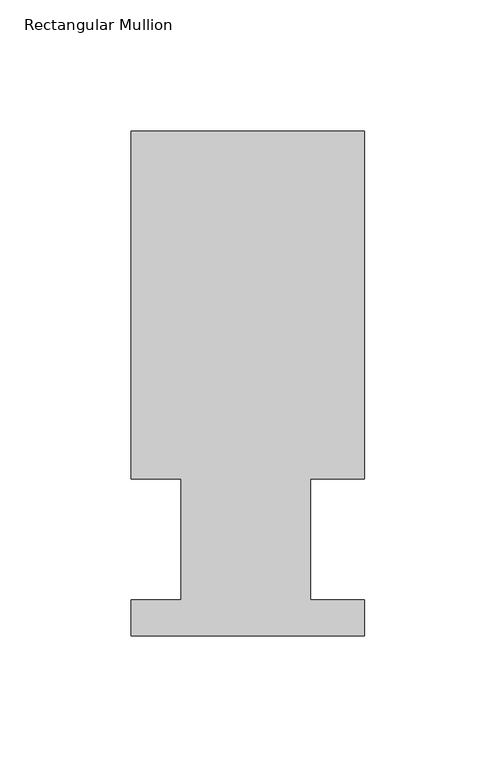
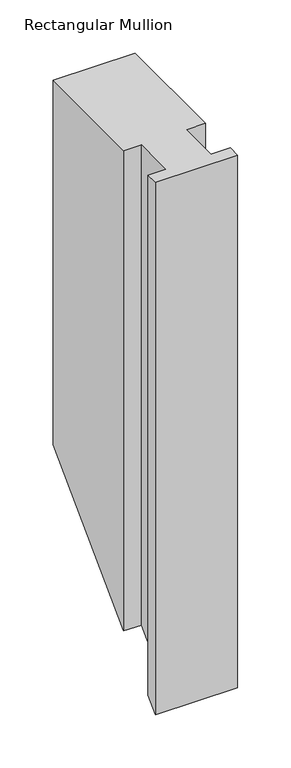
"""IFC4 building model written with IfcOpenShell, lengths in millimetres: member geometry, Rectangular Mullion."""

from ifc_helpers import new_model, si_unit, origin, place, context, project, spatial, faceted_brep, source, transform, mapped, element, save


def rectangular_mullion_68b4e7c4(model_context):
    return source(origin(), model_context, "Body", "Brep", [
        faceted_brep([(-88.9, 192.09385, 0.0), (-88.9, 59.53125, 0.0), (-69.85, 59.53125, 0.0), (-69.85, 13.50645, 0.0), (-88.9, 13.50645, 0.0), (-88.9, -0.26035, 0.0), (0.0, -0.26035, 0.0), (0.0, 13.50645, 0.0), (-20.6248, 13.50645, 0.0), (-20.6248, 59.53125, 0.0), (0.0, 59.53125, 0.0), (0.0, 192.09385, 0.0), (-88.9, 192.09385, -417.5194438), (-88.9, 59.53125, -550.0820438), (-69.85, 59.53125, -550.0820438), (-69.85, 13.50645, -596.1068438), (-88.9, 13.50645, -596.1068438), (-88.9, -0.26035, -609.8736438), (0.0, -0.26035, -609.8736438), (0.0, 13.50645, -596.1068438), (-20.6248, 13.50645, -596.1068438), (-20.6248, 59.53125, -550.0820438), (0.0, 59.53125, -550.0820438), (0.0, 192.09385, -417.5194438)], [[[0, 1, 2, 3, 4, 5, 6, 7, 8, 9, 10, 11]], [[1, 0, 12, 13]], [[2, 1, 13, 14]], [[3, 2, 14, 15]], [[4, 3, 15, 16]], [[5, 4, 16, 17]], [[6, 5, 17, 18]], [[7, 6, 18, 19]], [[8, 7, 19, 20]], [[9, 8, 20, 21]], [[10, 9, 21, 22]], [[11, 10, 22, 23]], [[0, 11, 23, 12]], [[12, 23, 22, 21, 20, 19, 18, 17, 16, 15, 14, 13]]]),
    ])


if __name__ == "__main__":
    model = new_model("IFC4")
    model_context = context("Model", 3, world=origin())
    ifc_project = project(units=[si_unit("LENGTHUNIT", "METRE", prefix="MILLI")], contexts=[model_context])
    site = spatial("IfcSite", under=ifc_project)
    building = spatial("IfcBuilding", under=site)
    placement = place(None, origin())
    rectangular_mullion_shape = rectangular_mullion_68b4e7c4(model_context)
    element("IfcMember", 1, ObjectType="Rectangular Mullion", at=placement, inside=building, context=model_context, shape_type="MappedRepresentation", body=[
        mapped(rectangular_mullion_shape, transform((0.0, 0.0, 0.0), x_axis=(1.0, 0.0, 0.0), y_axis=(0.0, 1.0, 0.0), z_axis=(0.0, 0.0, 1.0))),
    ])
    save(model, "model.ifc")
